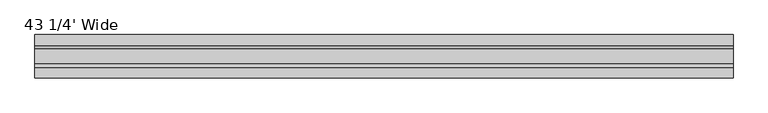
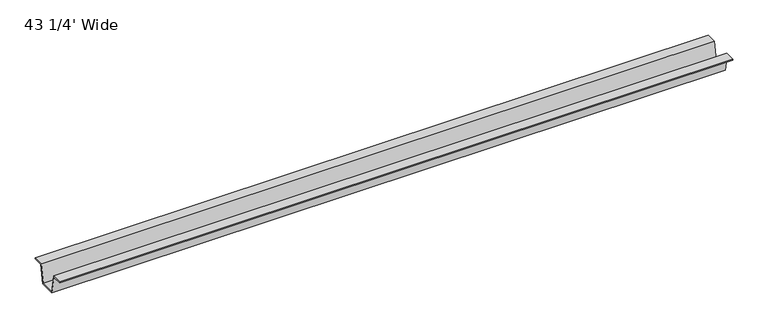
"""IFC4 building model written with IfcOpenShell, lengths in millimetres: furniture geometry, 43 1/4' Wide."""

import ifcopenshell
import ifcopenshell.guid

model = None  # the IFC model being written
_history = None  # IfcOwnerHistory: only IFC2X3 demands one
_inside = {}  # id of a spatial element -> (the spatial element, [elements in it])
_under = {}  # id of a project, library or spatial element -> (it, [spatial elements below it])
_declared = {}  # id of a project -> (the project, [libraries it declares])
_typed = {}  # id of a type object -> (the type object, [elements of that type])
_made_of = {}  # id of a material, layer set ... -> (it, [elements and type objects made of it])


def new_model(schema):
    """Start an empty IFC model of exactly this schema.

    Asked for "IFC4X3", IfcOpenShell would pick the latest addendum, in which some entities
    have other attributes; the version numbers below select the first issue.
    IFC2X3 requires an IfcOwnerHistory on every rooted entity: one is made here for all.
    """
    global model, _history
    if schema == "IFC4X3":
        model = ifcopenshell.file(schema_version=(4, 3, 0, 0))
    else:
        model = ifcopenshell.file(schema=schema)
    _inside.clear()
    _under.clear()
    _declared.clear()
    _typed.clear()
    _made_of.clear()
    _history = None
    if model.schema == "IFC2X3":
        org = make("IfcOrganization", Name="unknown")
        user = make(
            "IfcPersonAndOrganization",
            ThePerson=make("IfcPerson", FamilyName="unknown"),
            TheOrganization=org,
        )
        app = make(
            "IfcApplication",
            ApplicationDeveloper=org,
            Version="unknown",
            ApplicationFullName="unknown",
            ApplicationIdentifier="unknown",
        )
        _history = make(
            "IfcOwnerHistory",
            OwningUser=user,
            OwningApplication=app,
            ChangeAction="ADDED",
            CreationDate=0,
        )
    return model


def make(cls, **values):
    """One entity of the class cls with the attributes given. An attribute that is None is left unset."""
    return model.create_entity(
        cls, **{name: value for name, value in values.items() if value is not None}
    )


def rooted(cls, **values):
    """An entity with a GlobalId (a new one), such as an element, a storey or a relation."""
    return make(cls, GlobalId=ifcopenshell.guid.new(), OwnerHistory=_history, **values)


def si_unit(unit_type, name, prefix=None):
    """IfcSIUnit, for example si_unit("LENGTHUNIT", "METRE", prefix="MILLI")."""
    return make("IfcSIUnit", UnitType=unit_type, Prefix=prefix, Name=name)


def assignment(units):
    """IfcUnitAssignment: the units of a project."""
    return None if units is None else make("IfcUnitAssignment", Units=units)


def point(xyz):
    """IfcCartesianPoint."""
    return None if xyz is None else make("IfcCartesianPoint", Coordinates=xyz)


def direction(xyz):
    """IfcDirection."""
    return None if xyz is None else make("IfcDirection", DirectionRatios=xyz)


def frame(location, z_axis=None, x_axis=None):
    """IfcAxis2Placement3D, a coordinate frame: its origin and axes. An axis left out is left unset."""
    return make(
        "IfcAxis2Placement3D",
        Location=point(location),
        Axis=direction(z_axis),
        RefDirection=direction(x_axis),
    )


def origin():
    """The frame at (0, 0, 0) with its axes left unset."""
    return frame((0.0, 0.0, 0.0))


def place(relative_to, where):
    """IfcLocalPlacement: puts the frame where relative to a parent placement (None: the world)."""
    return make(
        "IfcLocalPlacement", PlacementRelTo=relative_to, RelativePlacement=where
    )


def context(
    kind, dimensions, precision=None, world=None, true_north=None, identifier=None
):
    """IfcGeometricRepresentationContext, for example the 3D "Model" context."""
    return make(
        "IfcGeometricRepresentationContext",
        ContextIdentifier=identifier,
        ContextType=kind,
        CoordinateSpaceDimension=dimensions,
        Precision=precision,
        WorldCoordinateSystem=world,
        TrueNorth=true_north,
    )


def project(units=None, contexts=None):
    """IfcProject with its units and contexts."""
    return rooted(
        "IfcProject",
        Name="project",
        RepresentationContexts=contexts,
        UnitsInContext=assignment(units),
    )


def spatial(cls, under=None, at=None, **own):
    """A site, building, storey or space (cls), placed at a placement, below another one or the project."""
    s = rooted(cls, ObjectPlacement=at, **own)
    if under is not None:
        _under.setdefault(under.id(), (under, []))[1].append(s)
    return s


def polyline(points):
    """IfcPolyline through the points."""
    return make("IfcPolyline", Points=[point(p) for p in points])


def outline(outer, holes=None, kind="AREA"):
    """IfcArbitraryClosedProfileDef: a profile drawn as a closed curve; with holes, ...WithVoids."""
    if holes is None:
        return make("IfcArbitraryClosedProfileDef", ProfileType=kind, OuterCurve=outer)
    return make(
        "IfcArbitraryProfileDefWithVoids",
        ProfileType=kind,
        OuterCurve=outer,
        InnerCurves=holes,
    )


def extrude(swept, where, along, depth):
    """IfcExtrudedAreaSolid: the profile swept, set in the frame where, extruded along a direction by depth."""
    return make(
        "IfcExtrudedAreaSolid",
        SweptArea=swept,
        Position=where,
        ExtrudedDirection=direction(along),
        Depth=depth,
    )


def shape(context_of_items, identifier, shape_type, items):
    """IfcShapeRepresentation: the items that make up one representation, for example the "Body"."""
    return make(
        "IfcShapeRepresentation",
        ContextOfItems=context_of_items,
        RepresentationIdentifier=identifier,
        RepresentationType=shape_type,
        Items=items,
    )


def source(mapping_origin, context_of_items, identifier, shape_type, items):
    """IfcRepresentationMap: a shape defined once, which mapped items show again and again."""
    return make(
        "IfcRepresentationMap",
        MappingOrigin=mapping_origin,
        MappedRepresentation=shape(context_of_items, identifier, shape_type, items),
    )


def transform(
    local_origin,
    x_axis=None,
    y_axis=None,
    z_axis=None,
    scale=None,
    scale2=None,
    scale3=None,
    uniform=True,
):
    """IfcCartesianTransformationOperator3D, or its non-uniform kind. x_axis, y_axis, z_axis: its Axis1, 2, 3."""
    if uniform:
        return make(
            "IfcCartesianTransformationOperator3D",
            Axis1=direction(x_axis),
            Axis2=direction(y_axis),
            LocalOrigin=point(local_origin),
            Scale=scale,
            Axis3=direction(z_axis),
        )
    return make(
        "IfcCartesianTransformationOperator3DnonUniform",
        Axis1=direction(x_axis),
        Axis2=direction(y_axis),
        LocalOrigin=point(local_origin),
        Scale=scale,
        Axis3=direction(z_axis),
        Scale2=scale2,
        Scale3=scale3,
    )


def mapped(mapping_source, mapping_target):
    """IfcMappedItem: shows the shape of a source again, moved by a transform."""
    return make(
        "IfcMappedItem", MappingSource=mapping_source, MappingTarget=mapping_target
    )


def made_of(thing, what):
    """Note that an element or type object is made of a material, layer set ...; save() writes the relation."""
    if what is not None:
        _made_of.setdefault(what.id(), (what, []))[1].append(thing)
    return thing


def element(
    cls,
    number,
    at=None,
    inside=None,
    cuts=None,
    type_object=None,
    material=None,
    context=None,
    identifier="Body",
    shape_type=None,
    held_by="IfcProductDefinitionShape",
    body=None,
    shapes=None,
    **own,
):
    """One element of the class cls, such as IfcWall. Its Tag is "e" and its number.

    at: its placement. inside: the storey or other place that contains it. cuts: it is an
    opening in that element (IfcRelVoidsElement). A single representation is given by context,
    identifier, shape_type and body (its items); several are given by shapes. held_by: the class
    of the entity that holds the representations. save() writes the other relations.
    """
    e = rooted(cls, Tag="e%d" % number, ObjectPlacement=at, **own)
    if body is not None:
        shapes = [shape(context, identifier, shape_type, body)]
    if shapes is not None:
        e.Representation = make(held_by, Representations=shapes)
    if inside is not None:
        _inside.setdefault(inside.id(), (inside, []))[1].append(e)
    if cuts is not None:
        rooted(
            "IfcRelVoidsElement", RelatingBuildingElement=cuts, RelatedOpeningElement=e
        )
    if type_object is not None:
        _typed.setdefault(type_object.id(), (type_object, []))[1].append(e)
    return made_of(e, material)


def aggregate(whole, parts):
    """IfcRelAggregates: a whole, such as a stair, and the parts it consists of."""
    return rooted("IfcRelAggregates", RelatingObject=whole, RelatedObjects=parts)


def save(model, path):
    """Write the relations noted so far, then the file.

    IfcRelAggregates (storeys below a building ...), IfcRelContainedInSpatialStructure (elements
    in a storey), IfcRelDefinesByType, IfcRelAssociatesMaterial and IfcRelDeclares: one each for
    every whole, place, type object, material and project.
    """
    for whole, parts in _under.values():
        aggregate(whole, parts)
    for where, things in _inside.values():
        rooted(
            "IfcRelContainedInSpatialStructure",
            RelatedElements=things,
            RelatingStructure=where,
        )
    for kind, things in _typed.values():
        rooted("IfcRelDefinesByType", RelatedObjects=things, RelatingType=kind)
    for what, things in _made_of.values():
        rooted("IfcRelAssociatesMaterial", RelatedObjects=things, RelatingMaterial=what)
    for by, libraries in _declared.values():
        rooted("IfcRelDeclares", RelatingContext=by, RelatedDefinitions=libraries)
    model.write(path)


def furniture_43_1_4_wide_f7943342(model_context):
    return source(origin(), model_context, "Body", "SweptSolid", [
        extrude(outline(polyline([(137.3862362, 690.626), (121.485835, 690.626), (115.9232385, 660.4000008), (90.5232355, 660.4000008), (84.960639, 690.626), (69.0602378, 690.626), (69.0602378, 692.15), (85.9714992, 692.15), (91.5808402, 661.6700008), (114.8656337, 661.6700008), (120.4749747, 692.15), (137.3862362, 692.15), (137.3862362, 690.626)])), frame((56.104992, 0.0, 0.0), z_axis=(1.0, 0.0, 0.0), x_axis=(0.0, 1.0, 0.0)), (0.0, 0.0, 1.0), 1098.55),
    ])


if __name__ == "__main__":
    model = new_model("IFC4")
    model_context = context("Model", 3, world=origin())
    ifc_project = project(units=[si_unit("LENGTHUNIT", "METRE", prefix="MILLI")], contexts=[model_context])
    site = spatial("IfcSite", under=ifc_project)
    building = spatial("IfcBuilding", under=site)
    placement = place(None, origin())
    furniture_43_1_4_wide_shape = furniture_43_1_4_wide_f7943342(model_context)
    element("IfcFurniture", 1, ObjectType="43 1/4' Wide", at=placement, inside=building, context=model_context, shape_type="MappedRepresentation", body=[
        mapped(furniture_43_1_4_wide_shape, transform((0.0, 0.0, 0.0), x_axis=(1.0, 0.0, 0.0), y_axis=(0.0, 1.0, 0.0), z_axis=(0.0, 0.0, 1.0))),
    ])
    save(model, "model.ifc")
